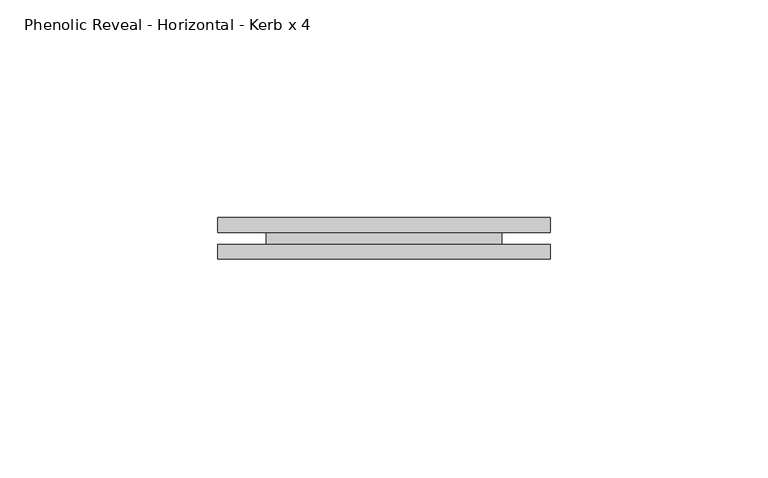
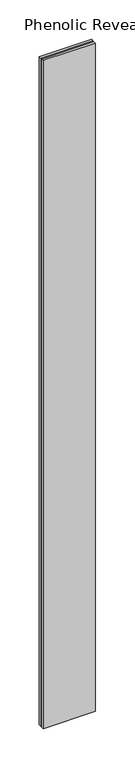
"""IFC4 building model written with IfcOpenShell, lengths in millimetres: proxy geometry, Phenolic Reveal - Horizontal - Kerb x 4."""

from ifc_helpers import new_model, si_unit, origin, place, context, project, spatial, faceted_brep, source, transform, mapped, element, save


def phenolic_reveal_horizontal_kerb_x_4_6488c4a1(model_context):
    return source(origin(), model_context, "Body", "Brep", [
        faceted_brep([(76.2, 9.525, 1033.4625), (76.2, 6.0765851, 1033.4625), (76.2, 6.0765851, 0.0), (76.2, 9.525, 0.0), (76.2, 3.3757545, 0.0), (76.2, 3.3757545, 1033.4625), (76.2, 0.0, 1033.4625), (76.2, 0.0, 0.0), (0.0, 9.525, 1033.4625), (0.0, 9.525, 0.0), (0.0, 6.0765851, 0.0), (0.0, 6.0765851, 1033.4625), (0.0, 3.3757545, 1033.4625), (0.0, 3.3757545, 0.0), (0.0, 0.0, 0.0), (0.0, 0.0, 1033.4625), (65.0875, 6.0765851, 1022.6216015), (65.0875, 6.0765851, 10.8408985), (11.1125, 6.0765851, 10.8408985), (11.1125, 6.0765851, 1022.6216015), (11.1125, 3.3757545, 1022.6216015), (65.0875, 3.3757545, 1022.6216015), (11.1125, 3.3757545, 10.8408985), (65.0875, 3.3757545, 10.8408985)], [[[0, 1, 2, 3]], [[4, 5, 6, 7]], [[8, 9, 10, 11]], [[12, 13, 14, 15]], [[11, 1, 0, 8]], [[2, 1, 11, 10], [16, 17, 18, 19]], [[16, 19, 20, 21]], [[5, 4, 13, 12], [20, 22, 23, 21]], [[6, 5, 12, 15]], [[7, 6, 15, 14]], [[13, 4, 7, 14]], [[23, 22, 18, 17]], [[3, 2, 10, 9]], [[0, 3, 9, 8]], [[21, 23, 17, 16]], [[22, 20, 19, 18]]]),
    ])


if __name__ == "__main__":
    model = new_model("IFC4")
    model_context = context("Model", 3, world=origin())
    ifc_project = project(units=[si_unit("LENGTHUNIT", "METRE", prefix="MILLI")], contexts=[model_context])
    site = spatial("IfcSite", under=ifc_project)
    building = spatial("IfcBuilding", under=site)
    placement = place(None, origin())
    phenolic_reveal_horizontal_kerb_x_4_shape = phenolic_reveal_horizontal_kerb_x_4_6488c4a1(model_context)
    element("IfcBuildingElementProxy", 1, Name="Phenolic Reveal - Horizontal - Kerb x 4", ObjectType="Phenolic Reveal - Horizontal - Kerb x 4", at=placement, inside=building, context=model_context, shape_type="MappedRepresentation", body=[
        mapped(phenolic_reveal_horizontal_kerb_x_4_shape, transform((0.0, 0.0, 0.0), x_axis=(1.0, 0.0, 0.0), y_axis=(0.0, 1.0, 0.0), z_axis=(0.0, 0.0, 1.0))),
    ])
    save(model, "model.ifc")
